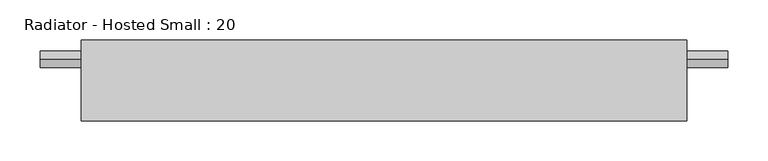
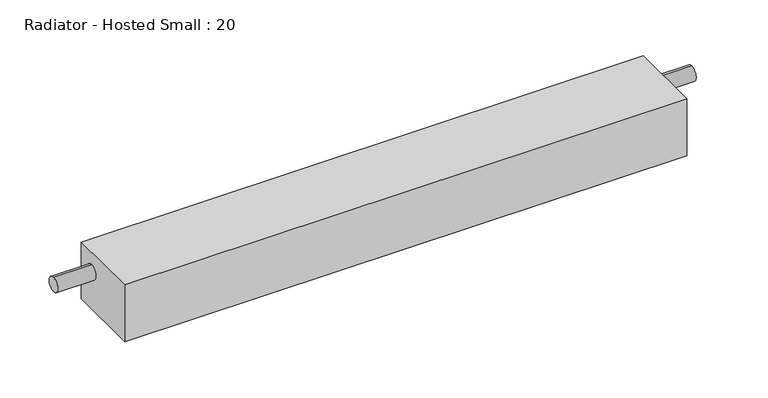
"""IFC4 building model written with IfcOpenShell, lengths in millimetres: proxy geometry, Radiator - Hosted Small : 20."""

from ifc_helpers import new_model, si_unit, frame, origin, place, context, project, spatial, circle_curve, source, transform, mapped, element, save
from ifc_brep_helpers import plane_surface, cylinder_surface, advanced_brep


def radiator_hosted_small_20_398c0d07(model_context):
    return source(origin(), model_context, "Body", "AdvancedBrep", [
        advanced_brep(
        [(375.0, 100.0, 0.0), (375.0, 100.0, 80.0), (375.0, 0.0, 80.0), (375.0, 0.0, 0.0), (375.0, 76.2, 42.3875), (375.0, 76.2, 62.3875), (-375.0, 100.0, 0.0), (-375.0, 0.0, 0.0), (-375.0, 0.0, 80.0), (-375.0, 100.0, 80.0), (-375.0, 76.2, 62.3875), (-375.0, 76.2, 42.3875), (-425.8, 76.2, 42.3875), (-425.8, 76.2, 62.3875), (425.8, 76.2, 42.3875), (425.8, 76.2, 62.3875)],
        [
            (0, 1),
            (1, 2),
            (2, 3),
            (3, 0),
            (4, 5, circle_curve(frame((375.0, 76.2, 52.3875), z_axis=(-1.0, 0.0, 0.0), x_axis=(0.0, 0.0, 1.0)), 10.0)),
            (5, 4, circle_curve(frame((375.0, 76.2, 52.3875), z_axis=(-1.0, 0.0, 0.0), x_axis=(0.0, 0.0, 1.0)), 10.0)),
            (6, 7),
            (7, 8),
            (8, 9),
            (9, 6),
            (10, 11, circle_curve(frame((-375.0, 76.2, 52.3875), z_axis=(1.0, 0.0, 0.0), x_axis=(0.0, 0.0, 1.0)), 10.0)),
            (11, 10, circle_curve(frame((-375.0, 76.2, 52.3875), z_axis=(1.0, 0.0, 0.0), x_axis=(0.0, 0.0, 1.0)), 10.0)),
            (0, 6),
            (9, 1),
            (8, 2),
            (7, 3),
            (12, 13, circle_curve(frame((-425.8, 76.2, 52.3875), z_axis=(-1.0, 0.0, 0.0), x_axis=(0.0, 0.0, 1.0)), 10.0)),
            (13, 12, circle_curve(frame((-425.8, 76.2, 52.3875), z_axis=(-1.0, 0.0, 0.0), x_axis=(0.0, 0.0, 1.0)), 10.0)),
            (14, 15, circle_curve(frame((425.8, 76.2, 52.3875), z_axis=(1.0, 0.0, 0.0), x_axis=(0.0, 0.0, 1.0)), 10.0)),
            (15, 14, circle_curve(frame((425.8, 76.2, 52.3875), z_axis=(1.0, 0.0, 0.0), x_axis=(0.0, 0.0, 1.0)), 10.0)),
            (12, 11),
            (10, 13),
            (15, 5),
            (4, 14),
        ],
        [
            plane_surface(frame((375.0, 100.0, 0.0), z_axis=(1.0, 0.0, 0.0), x_axis=(0.0, 0.0, 1.0))),
            plane_surface(frame((-375.0, 100.0, 0.0), z_axis=(-1.0, 0.0, 0.0), x_axis=(0.0, 0.0, -1.0))),
            plane_surface(frame((375.0, 100.0, 0.0), z_axis=(0.0, 1.0, 0.0), x_axis=(-1.0, 0.0, 0.0))),
            plane_surface(frame((375.0, 100.0, 80.0), z_axis=(0.0, 0.0, 1.0), x_axis=(-1.0, 0.0, 0.0))),
            plane_surface(frame((375.0, 0.0, 80.0), z_axis=(0.0, -1.0, 0.0), x_axis=(-1.0, 0.0, 0.0))),
            plane_surface(frame((375.0, 0.0, 0.0), z_axis=(0.0, 0.0, -1.0), x_axis=(-1.0, 0.0, 0.0))),
            plane_surface(frame((-425.8, 76.2, 62.3875), z_axis=(-1.0, 0.0, 0.0), x_axis=(0.0, 1.0, 0.0))),
            plane_surface(frame((425.8, 76.2, 62.3875), z_axis=(1.0, 0.0, 0.0), x_axis=(0.0, -1.0, 0.0))),
            cylinder_surface(frame((425.8, 76.2, 52.3875), z_axis=(-1.0, 0.0, 0.0), x_axis=(0.0, 0.0, 1.0)), 10.0),
        ],
        [
            (0, [[1, 2, 3, 4], [5, 6]]),
            (1, [[7, 8, 9, 10], [11, 12]]),
            (2, [[-1, 13, -10, 14]]),
            (3, [[-2, -14, -9, 15]]),
            (4, [[-3, -15, -8, 16]]),
            (5, [[-4, -16, -7, -13]]),
            (6, [[17, 18]]),
            (7, [[19, 20]]),
            (8, [[-17, 21, -11, 22]]),
            (8, [[-20, 23, -5, 24]]),
            (8, [[-18, -22, -12, -21]]),
            (8, [[-19, -24, -6, -23]]),
        ],
    ),
    ])


if __name__ == "__main__":
    model = new_model("IFC4")
    model_context = context("Model", 3, world=origin())
    ifc_project = project(units=[si_unit("LENGTHUNIT", "METRE", prefix="MILLI")], contexts=[model_context])
    site = spatial("IfcSite", under=ifc_project)
    building = spatial("IfcBuilding", under=site)
    placement = place(None, origin())
    radiator_hosted_small_20_shape = radiator_hosted_small_20_398c0d07(model_context)
    element("IfcBuildingElementProxy", 1, Name="Radiator - Hosted Small : 20", ObjectType="Radiator - Hosted Small : 20", at=placement, inside=building, context=model_context, shape_type="MappedRepresentation", body=[
        mapped(radiator_hosted_small_20_shape, transform((0.0, 0.0, 0.0), x_axis=(1.0, 0.0, 0.0), y_axis=(0.0, 1.0, 0.0), z_axis=(0.0, 0.0, 1.0))),
    ])
    save(model, "model.ifc")
